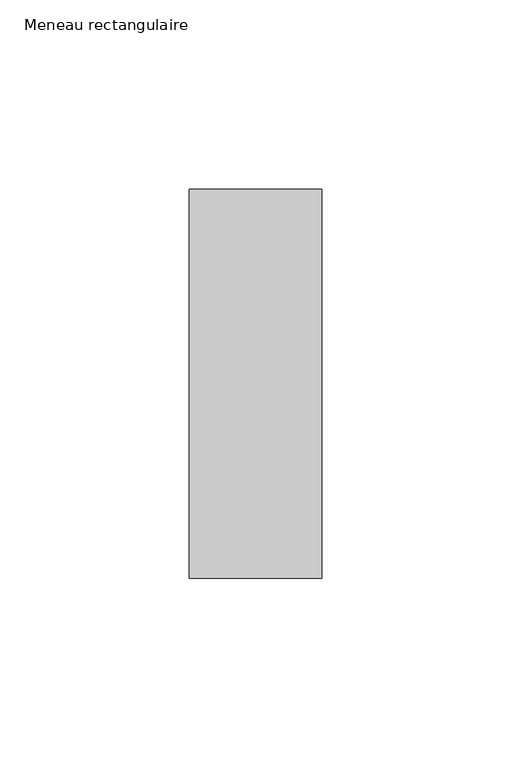
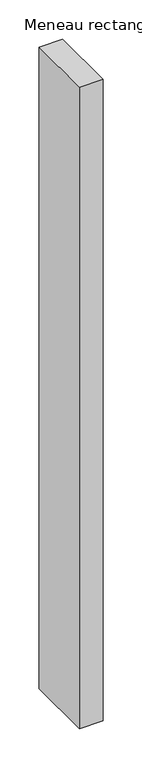
"""IFC4 building model written with IfcOpenShell, lengths in millimetres: member geometry, Meneau rectangulaire."""

import ifcopenshell
import ifcopenshell.guid

model = None  # the IFC model being written
_history = None  # IfcOwnerHistory: only IFC2X3 demands one
_inside = {}  # id of a spatial element -> (the spatial element, [elements in it])
_under = {}  # id of a project, library or spatial element -> (it, [spatial elements below it])
_declared = {}  # id of a project -> (the project, [libraries it declares])
_typed = {}  # id of a type object -> (the type object, [elements of that type])
_made_of = {}  # id of a material, layer set ... -> (it, [elements and type objects made of it])


def new_model(schema):
    """Start an empty IFC model of exactly this schema.

    Asked for "IFC4X3", IfcOpenShell would pick the latest addendum, in which some entities
    have other attributes; the version numbers below select the first issue.
    IFC2X3 requires an IfcOwnerHistory on every rooted entity: one is made here for all.
    """
    global model, _history
    if schema == "IFC4X3":
        model = ifcopenshell.file(schema_version=(4, 3, 0, 0))
    else:
        model = ifcopenshell.file(schema=schema)
    _inside.clear()
    _under.clear()
    _declared.clear()
    _typed.clear()
    _made_of.clear()
    _history = None
    if model.schema == "IFC2X3":
        org = make("IfcOrganization", Name="unknown")
        user = make(
            "IfcPersonAndOrganization",
            ThePerson=make("IfcPerson", FamilyName="unknown"),
            TheOrganization=org,
        )
        app = make(
            "IfcApplication",
            ApplicationDeveloper=org,
            Version="unknown",
            ApplicationFullName="unknown",
            ApplicationIdentifier="unknown",
        )
        _history = make(
            "IfcOwnerHistory",
            OwningUser=user,
            OwningApplication=app,
            ChangeAction="ADDED",
            CreationDate=0,
        )
    return model


def make(cls, **values):
    """One entity of the class cls with the attributes given. An attribute that is None is left unset."""
    return model.create_entity(
        cls, **{name: value for name, value in values.items() if value is not None}
    )


def rooted(cls, **values):
    """An entity with a GlobalId (a new one), such as an element, a storey or a relation."""
    return make(cls, GlobalId=ifcopenshell.guid.new(), OwnerHistory=_history, **values)


def si_unit(unit_type, name, prefix=None):
    """IfcSIUnit, for example si_unit("LENGTHUNIT", "METRE", prefix="MILLI")."""
    return make("IfcSIUnit", UnitType=unit_type, Prefix=prefix, Name=name)


def assignment(units):
    """IfcUnitAssignment: the units of a project."""
    return None if units is None else make("IfcUnitAssignment", Units=units)


def point(xyz):
    """IfcCartesianPoint."""
    return None if xyz is None else make("IfcCartesianPoint", Coordinates=xyz)


def direction(xyz):
    """IfcDirection."""
    return None if xyz is None else make("IfcDirection", DirectionRatios=xyz)


def frame(location, z_axis=None, x_axis=None):
    """IfcAxis2Placement3D, a coordinate frame: its origin and axes. An axis left out is left unset."""
    return make(
        "IfcAxis2Placement3D",
        Location=point(location),
        Axis=direction(z_axis),
        RefDirection=direction(x_axis),
    )


def origin():
    """The frame at (0, 0, 0) with its axes left unset."""
    return frame((0.0, 0.0, 0.0))


def place(relative_to, where):
    """IfcLocalPlacement: puts the frame where relative to a parent placement (None: the world)."""
    return make(
        "IfcLocalPlacement", PlacementRelTo=relative_to, RelativePlacement=where
    )


def context(
    kind, dimensions, precision=None, world=None, true_north=None, identifier=None
):
    """IfcGeometricRepresentationContext, for example the 3D "Model" context."""
    return make(
        "IfcGeometricRepresentationContext",
        ContextIdentifier=identifier,
        ContextType=kind,
        CoordinateSpaceDimension=dimensions,
        Precision=precision,
        WorldCoordinateSystem=world,
        TrueNorth=true_north,
    )


def project(units=None, contexts=None):
    """IfcProject with its units and contexts."""
    return rooted(
        "IfcProject",
        Name="project",
        RepresentationContexts=contexts,
        UnitsInContext=assignment(units),
    )


def spatial(cls, under=None, at=None, **own):
    """A site, building, storey or space (cls), placed at a placement, below another one or the project."""
    s = rooted(cls, ObjectPlacement=at, **own)
    if under is not None:
        _under.setdefault(under.id(), (under, []))[1].append(s)
    return s


def polyline(points):
    """IfcPolyline through the points."""
    return make("IfcPolyline", Points=[point(p) for p in points])


def outline(outer, holes=None, kind="AREA"):
    """IfcArbitraryClosedProfileDef: a profile drawn as a closed curve; with holes, ...WithVoids."""
    if holes is None:
        return make("IfcArbitraryClosedProfileDef", ProfileType=kind, OuterCurve=outer)
    return make(
        "IfcArbitraryProfileDefWithVoids",
        ProfileType=kind,
        OuterCurve=outer,
        InnerCurves=holes,
    )


def extrude(swept, where, along, depth):
    """IfcExtrudedAreaSolid: the profile swept, set in the frame where, extruded along a direction by depth."""
    return make(
        "IfcExtrudedAreaSolid",
        SweptArea=swept,
        Position=where,
        ExtrudedDirection=direction(along),
        Depth=depth,
    )


def shape(context_of_items, identifier, shape_type, items):
    """IfcShapeRepresentation: the items that make up one representation, for example the "Body"."""
    return make(
        "IfcShapeRepresentation",
        ContextOfItems=context_of_items,
        RepresentationIdentifier=identifier,
        RepresentationType=shape_type,
        Items=items,
    )


def source(mapping_origin, context_of_items, identifier, shape_type, items):
    """IfcRepresentationMap: a shape defined once, which mapped items show again and again."""
    return make(
        "IfcRepresentationMap",
        MappingOrigin=mapping_origin,
        MappedRepresentation=shape(context_of_items, identifier, shape_type, items),
    )


def transform(
    local_origin,
    x_axis=None,
    y_axis=None,
    z_axis=None,
    scale=None,
    scale2=None,
    scale3=None,
    uniform=True,
):
    """IfcCartesianTransformationOperator3D, or its non-uniform kind. x_axis, y_axis, z_axis: its Axis1, 2, 3."""
    if uniform:
        return make(
            "IfcCartesianTransformationOperator3D",
            Axis1=direction(x_axis),
            Axis2=direction(y_axis),
            LocalOrigin=point(local_origin),
            Scale=scale,
            Axis3=direction(z_axis),
        )
    return make(
        "IfcCartesianTransformationOperator3DnonUniform",
        Axis1=direction(x_axis),
        Axis2=direction(y_axis),
        LocalOrigin=point(local_origin),
        Scale=scale,
        Axis3=direction(z_axis),
        Scale2=scale2,
        Scale3=scale3,
    )


def mapped(mapping_source, mapping_target):
    """IfcMappedItem: shows the shape of a source again, moved by a transform."""
    return make(
        "IfcMappedItem", MappingSource=mapping_source, MappingTarget=mapping_target
    )


def made_of(thing, what):
    """Note that an element or type object is made of a material, layer set ...; save() writes the relation."""
    if what is not None:
        _made_of.setdefault(what.id(), (what, []))[1].append(thing)
    return thing


def element(
    cls,
    number,
    at=None,
    inside=None,
    cuts=None,
    type_object=None,
    material=None,
    context=None,
    identifier="Body",
    shape_type=None,
    held_by="IfcProductDefinitionShape",
    body=None,
    shapes=None,
    **own,
):
    """One element of the class cls, such as IfcWall. Its Tag is "e" and its number.

    at: its placement. inside: the storey or other place that contains it. cuts: it is an
    opening in that element (IfcRelVoidsElement). A single representation is given by context,
    identifier, shape_type and body (its items); several are given by shapes. held_by: the class
    of the entity that holds the representations. save() writes the other relations.
    """
    e = rooted(cls, Tag="e%d" % number, ObjectPlacement=at, **own)
    if body is not None:
        shapes = [shape(context, identifier, shape_type, body)]
    if shapes is not None:
        e.Representation = make(held_by, Representations=shapes)
    if inside is not None:
        _inside.setdefault(inside.id(), (inside, []))[1].append(e)
    if cuts is not None:
        rooted(
            "IfcRelVoidsElement", RelatingBuildingElement=cuts, RelatedOpeningElement=e
        )
    if type_object is not None:
        _typed.setdefault(type_object.id(), (type_object, []))[1].append(e)
    return made_of(e, material)


def aggregate(whole, parts):
    """IfcRelAggregates: a whole, such as a stair, and the parts it consists of."""
    return rooted("IfcRelAggregates", RelatingObject=whole, RelatedObjects=parts)


def save(model, path):
    """Write the relations noted so far, then the file.

    IfcRelAggregates (storeys below a building ...), IfcRelContainedInSpatialStructure (elements
    in a storey), IfcRelDefinesByType, IfcRelAssociatesMaterial and IfcRelDeclares: one each for
    every whole, place, type object, material and project.
    """
    for whole, parts in _under.values():
        aggregate(whole, parts)
    for where, things in _inside.values():
        rooted(
            "IfcRelContainedInSpatialStructure",
            RelatedElements=things,
            RelatingStructure=where,
        )
    for kind, things in _typed.values():
        rooted("IfcRelDefinesByType", RelatedObjects=things, RelatingType=kind)
    for what, things in _made_of.values():
        rooted("IfcRelAssociatesMaterial", RelatedObjects=things, RelatingMaterial=what)
    for by, libraries in _declared.values():
        rooted("IfcRelDeclares", RelatingContext=by, RelatedDefinitions=libraries)
    model.write(path)


def meneau_rectangulaire_e95407f6(model_context):
    return source(origin(), model_context, "Body", "SweptSolid", [
        extrude(outline(polyline([(-35.0562434, 51.4988742), (0.0, 51.4988742), (0.0, -51.4988742), (-35.0562434, -51.4988742), (-35.0562434, 51.4988742)])), frame((0.0, 0.0, -1000.0), z_axis=(0.0, 0.0, 1.0), x_axis=(1.0, 0.0, 0.0)), (0.0, 0.0, 1.0), 1000.0),
    ])


if __name__ == "__main__":
    model = new_model("IFC4")
    model_context = context("Model", 3, world=origin())
    ifc_project = project(units=[si_unit("LENGTHUNIT", "METRE", prefix="MILLI")], contexts=[model_context])
    site = spatial("IfcSite", under=ifc_project)
    building = spatial("IfcBuilding", under=site)
    placement = place(None, origin())
    meneau_rectangulaire_shape = meneau_rectangulaire_e95407f6(model_context)
    element("IfcMember", 1, ObjectType="Meneau rectangulaire", at=placement, inside=building, context=model_context, shape_type="MappedRepresentation", body=[
        mapped(meneau_rectangulaire_shape, transform((0.0, 0.0, 0.0), x_axis=(1.0, 0.0, 0.0), y_axis=(0.0, 1.0, 0.0), z_axis=(0.0, 0.0, 1.0))),
    ])
    save(model, "model.ifc")
